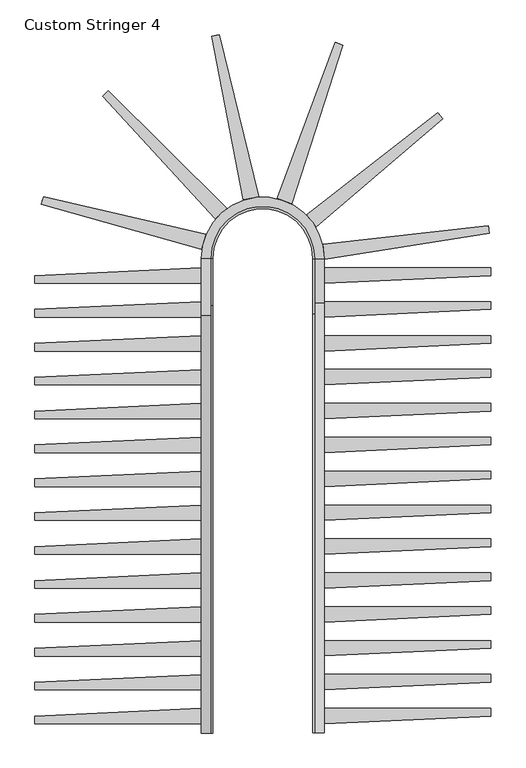
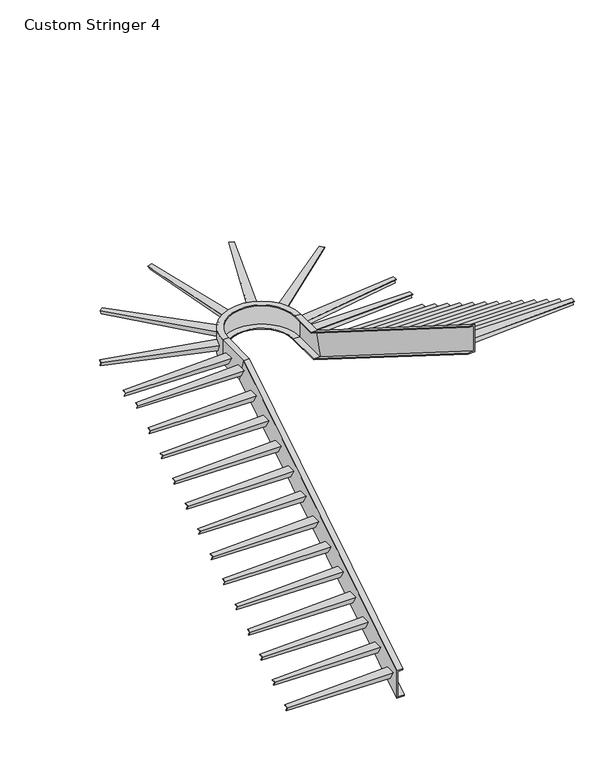
"""IFC4 building model written with IfcOpenShell, lengths in millimetres: railing geometry, Custom Stringer 4."""

from ifc_helpers import new_model, si_unit, frame, origin, place, context, project, spatial, polyline, circle_curve, faceted_brep, source, transform, mapped, element, save
from ifc_brep_helpers import plane_surface, cylinder_surface, revolved_surface, advanced_brep


def custom_stringer_4_e8852518(model_context):
    return source(origin(), model_context, "Body", "SolidModel", [
        advanced_brep(
        [(33706.1107122, -9490.020711, 222.1036534), (33629.9107122, -9490.020711, 222.1036534), (33629.9107122, -9490.020711, -153.0447845), (33725.1607122, -9490.020711, -153.0447845), (33725.1607122, -9490.020711, -138.038847), (33642.6107122, -9490.020711, -138.038847), (33642.6107122, -9490.020711, 207.0977159), (33706.1107122, -9490.020711, 207.0977159), (33706.1107122, -6049.287627, 2387.6), (33629.9107122, -6049.287627, 2387.6), (33629.9107122, -5957.6906645, 2070.1), (33725.1607122, -5957.6906645, 2070.1), (33725.1607122, -5961.354543, 2082.8), (33642.6107122, -5961.354543, 2082.8), (33642.6107122, -6045.6237485, 2374.9), (33706.1107122, -6045.6237485, 2374.9), (33706.1107122, -5578.420711, 2387.6), (33629.9107122, -5578.420711, 2387.6), (33629.9107122, -5578.420711, 2070.1), (33725.1607122, -5578.420711, 2070.1), (33725.1607122, -5578.420711, 2082.8), (33642.6107122, -5578.420711, 2082.8), (33642.6107122, -5578.420711, 2374.9), (33706.1107122, -5578.420711, 2374.9), (34643.8371795, -5578.420711, 2387.6), (34567.6371795, -5578.420711, 2387.6), (34643.8371795, -5578.420711, 2070.1), (34548.5871795, -5578.420711, 2070.1), (34548.5871795, -5578.420711, 2082.8), (34631.1371795, -5578.420711, 2082.8), (34631.1371795, -5578.420711, 2374.9), (34567.6371795, -5578.420711, 2374.9), (34567.6371795, -5945.753795, 2387.6), (34643.8371795, -5945.753795, 2387.6), (34643.8371795, -6037.3507575, 2070.1), (34548.5871795, -6037.3507575, 2070.1), (34548.5871795, -6033.686879, 2082.8), (34631.1371795, -6033.686879, 2082.8), (34631.1371795, -5949.4176735, 2374.9), (34567.6371795, -5949.4176735, 2374.9), (34567.6371795, -9490.020711, 4618.2574996), (34567.6371795, -9490.020711, 4603.2515621), (34631.1371795, -9490.020711, 4603.2515621), (34631.1371795, -9490.020711, 4258.1149991), (34548.5871795, -9490.020711, 4258.1149991), (34548.5871795, -9490.020711, 4243.1090616), (34643.8371795, -9490.020711, 4243.1090616), (34643.8371795, -9490.020711, 4618.2574996)],
        [
            (0, 1),
            (1, 2),
            (2, 3),
            (3, 4),
            (4, 5),
            (5, 6),
            (6, 7),
            (7, 0),
            (0, 8),
            (8, 9),
            (9, 1),
            (9, 10),
            (10, 2),
            (10, 11),
            (11, 3),
            (11, 12),
            (12, 4),
            (12, 13),
            (13, 5),
            (13, 14),
            (14, 6),
            (14, 15),
            (15, 7),
            (15, 8),
            (8, 16),
            (16, 17),
            (17, 9),
            (17, 18),
            (18, 10),
            (18, 19),
            (19, 11),
            (19, 20),
            (20, 12),
            (20, 21),
            (21, 13),
            (21, 22),
            (22, 14),
            (22, 23),
            (23, 15),
            (23, 16),
            (24, 17, circle_curve(frame((34136.8739459, -5578.420711, 2387.6), z_axis=(0.0, 0.0, 1.0), x_axis=(-1.0, 0.0, 0.0)), 506.9632337)),
            (16, 25, circle_curve(frame((34136.8739459, -5578.420711, 2387.6), z_axis=(0.0, 0.0, -1.0), x_axis=(-1.0, 0.0, 0.0)), 430.7632337)),
            (25, 24),
            (26, 18, circle_curve(frame((34136.8739459, -5578.420711, 2070.1), z_axis=(0.0, 0.0, 1.0), x_axis=(-1.0, 0.0, 0.0)), 506.9632337)),
            (24, 26),
            (27, 19, circle_curve(frame((34136.8739459, -5578.420711, 2070.1), z_axis=(0.0, 0.0, 1.0), x_axis=(-1.0, 0.0, 0.0)), 411.7132337)),
            (26, 27),
            (28, 20, circle_curve(frame((34136.8739459, -5578.420711, 2082.8), z_axis=(0.0, 0.0, 1.0), x_axis=(-1.0, 0.0, 0.0)), 411.7132337)),
            (27, 28),
            (29, 21, circle_curve(frame((34136.8739459, -5578.420711, 2082.8), z_axis=(0.0, 0.0, 1.0), x_axis=(-1.0, 0.0, 0.0)), 494.2632337)),
            (28, 29),
            (30, 22, circle_curve(frame((34136.8739459, -5578.420711, 2374.9), z_axis=(0.0, 0.0, 1.0), x_axis=(-1.0, 0.0, 0.0)), 494.2632337)),
            (29, 30),
            (31, 23, circle_curve(frame((34136.8739459, -5578.420711, 2374.9), z_axis=(0.0, 0.0, 1.0), x_axis=(-1.0, 0.0, 0.0)), 430.7632337)),
            (30, 31),
            (31, 25),
            (25, 32),
            (32, 33),
            (33, 24),
            (33, 34),
            (34, 26),
            (34, 35),
            (35, 27),
            (35, 36),
            (36, 28),
            (36, 37),
            (37, 29),
            (37, 38),
            (38, 30),
            (38, 39),
            (39, 31),
            (39, 32),
            (40, 41),
            (41, 42),
            (42, 43),
            (43, 44),
            (44, 45),
            (45, 46),
            (46, 47),
            (47, 40),
            (32, 40),
            (47, 33),
            (46, 34),
            (45, 35),
            (44, 36),
            (43, 37),
            (42, 38),
            (41, 39),
        ],
        [
            plane_surface(frame((33629.9107122, -9490.020711, 582.2461538), z_axis=(0.0, -1.0, 0.0), x_axis=(0.0, 0.0, 1.0))),
            plane_surface(frame((33706.1107122, -9490.020711, 222.1036534), z_axis=(0.0, -0.5326562891180853, 0.8463316593764828), x_axis=(0.0, 0.8463316593764828, 0.5326562891180853))),
            plane_surface(frame((33629.9107122, -9490.020711, 222.1036534), z_axis=(-1.0, 0.0, 0.0), x_axis=(0.0, 0.8463316593764827, 0.5326562891180853))),
            plane_surface(frame((33629.9107122, -9490.020711, -153.0447845), z_axis=(0.0, 0.5326562891180853, -0.8463316593764827), x_axis=(0.0, 0.8463316593764827, 0.5326562891180853))),
            plane_surface(frame((33725.1607122, -9490.020711, -153.0447845), z_axis=(1.0, 0.0, 0.0), x_axis=(0.0, 0.8463316593764827, 0.5326562891180853))),
            plane_surface(frame((33725.1607122, -9490.020711, -138.038847), z_axis=(0.0, -0.5326562891180853, 0.8463316593764827), x_axis=(0.0, 0.8463316593764827, 0.5326562891180853))),
            plane_surface(frame((33642.6107122, -9490.020711, -138.038847), z_axis=(1.0, 0.0, 0.0), x_axis=(0.0, 0.8463316593764827, 0.5326562891180853))),
            plane_surface(frame((33642.6107122, -9490.020711, 207.0977159), z_axis=(0.0, 0.5326562891180853, -0.8463316593764827), x_axis=(0.0, 0.8463316593764827, 0.5326562891180853))),
            plane_surface(frame((33706.1107122, -9490.020711, 207.0977159), z_axis=(1.0, 0.0, 0.0), x_axis=(0.0, 0.8463316593764827, 0.5326562891180853))),
            plane_surface(frame((33706.1107122, -6049.287627, 2387.6), z_axis=(0.0, 0.0, 1.0), x_axis=(0.0, 1.0, 0.0))),
            plane_surface(frame((33629.9107122, -6049.287627, 2387.6), z_axis=(-1.0, 0.0, 0.0), x_axis=(0.0, 1.0, 0.0))),
            plane_surface(frame((33629.9107122, -5957.6906645, 2070.1), z_axis=(0.0, 0.0, -1.0), x_axis=(0.0, 1.0, 0.0))),
            plane_surface(frame((33725.1607122, -5957.6906645, 2070.1), z_axis=(1.0, 0.0, 0.0), x_axis=(0.0, 1.0, 0.0))),
            plane_surface(frame((33725.1607122, -5961.354543, 2082.8), z_axis=(0.0, 0.0, 1.0), x_axis=(0.0, 1.0, 0.0))),
            plane_surface(frame((33642.6107122, -5961.354543, 2082.8), z_axis=(1.0, 0.0, 0.0), x_axis=(0.0, 1.0, 0.0))),
            plane_surface(frame((33642.6107122, -6045.6237485, 2374.9), z_axis=(0.0, 0.0, -1.0), x_axis=(0.0, 1.0, 0.0))),
            plane_surface(frame((33706.1107122, -6045.6237485, 2374.9), z_axis=(1.0, 0.0, 0.0), x_axis=(0.0, 1.0, 0.0))),
            plane_surface(frame((34136.8739459, -5578.420711, 2387.6), z_axis=(0.0, 0.0, 1.0), x_axis=(-1.0, 0.0, 0.0))),
            cylinder_surface(frame((34136.8739459, -5578.420711, 2692.4), z_axis=(0.0, 0.0, -1.0), x_axis=(-1.0, 0.0, 0.0)), 506.9632337),
            plane_surface(frame((34136.8739459, -5578.420711, 2070.1), z_axis=(0.0, 0.0, -1.0), x_axis=(-1.0, 0.0, 0.0))),
            revolved_surface(polyline([(33725.1607122, -5578.420711, 2070.1), (33725.1607122, -5578.420711, 2082.8)]), (34136.8739459, -5578.420711, 2692.4), (0.0, 0.0, -1.0)),
            plane_surface(frame((34136.8739459, -5578.420711, 2082.8), z_axis=(0.0, 0.0, 1.0), x_axis=(-1.0, 0.0, 0.0))),
            revolved_surface(polyline([(33642.610712199996, -5578.420711, 2082.8), (33642.610712199996, -5578.420711, 2374.9)]), (34136.8739459, -5578.420711, 2692.4), (0.0, 0.0, -1.0)),
            plane_surface(frame((34136.8739459, -5578.420711, 2374.9), z_axis=(0.0, 0.0, -1.0), x_axis=(-1.0, 0.0, 0.0))),
            revolved_surface(polyline([(33706.110712199996, -5578.420711, 2374.9), (33706.110712199996, -5578.420711, 2387.6)]), (34136.8739459, -5578.420711, 2692.4), (0.0, 0.0, -1.0)),
            plane_surface(frame((34567.6371795, -5578.420711, 2387.6), z_axis=(0.0, 0.0, 1.0), x_axis=(0.0, -1.0, 0.0))),
            plane_surface(frame((34643.8371795, -5578.420711, 2387.6), z_axis=(1.0, 0.0, 0.0), x_axis=(0.0, -1.0, 0.0))),
            plane_surface(frame((34643.8371795, -5578.420711, 2070.1), z_axis=(0.0, 0.0, -1.0), x_axis=(0.0, -1.0, 0.0))),
            plane_surface(frame((34548.5871795, -5578.420711, 2070.1), z_axis=(-1.0, 0.0, 0.0), x_axis=(0.0, -1.0, 0.0))),
            plane_surface(frame((34548.5871795, -5578.420711, 2082.8), z_axis=(0.0, 0.0, 1.0), x_axis=(0.0, -1.0, 0.0))),
            plane_surface(frame((34631.1371795, -5578.420711, 2082.8), z_axis=(-1.0, 0.0, 0.0), x_axis=(0.0, -1.0, 0.0))),
            plane_surface(frame((34631.1371795, -5578.420711, 2374.9), z_axis=(0.0, 0.0, -1.0), x_axis=(0.0, -1.0, 0.0))),
            plane_surface(frame((34567.6371795, -5578.420711, 2374.9), z_axis=(-1.0, 0.0, 0.0), x_axis=(0.0, -1.0, 0.0))),
            plane_surface(frame((34643.8371795, -9490.020711, 4978.4), z_axis=(0.0, -1.0, 0.0), x_axis=(0.0, 0.0, -1.0))),
            plane_surface(frame((34567.6371795, -5945.753795, 2387.6), z_axis=(0.0, 0.5326562891180853, 0.8463316593764828), x_axis=(0.0, -0.8463316593764828, 0.5326562891180853))),
            plane_surface(frame((34643.8371795, -5945.753795, 2387.6), z_axis=(1.0000000000000002, 0.0, 0.0), x_axis=(0.0, -0.8463316593764828, 0.5326562891180853))),
            plane_surface(frame((34643.8371795, -6037.3507575, 2070.1), z_axis=(0.0, -0.5326562891180852, -0.8463316593764829), x_axis=(0.0, -0.8463316593764829, 0.5326562891180852))),
            plane_surface(frame((34548.5871795, -6037.3507575, 2070.1), z_axis=(-1.0, 0.0, 0.0), x_axis=(0.0, -0.8463316593764828, 0.5326562891180852))),
            plane_surface(frame((34548.5871795, -6033.686879, 2082.8), z_axis=(0.0, 0.5326562891180853, 0.8463316593764828), x_axis=(0.0, -0.8463316593764828, 0.5326562891180853))),
            plane_surface(frame((34631.1371795, -6033.686879, 2082.8), z_axis=(-1.0000000000000002, 0.0, 0.0), x_axis=(0.0, -0.8463316593764827, 0.5326562891180855))),
            plane_surface(frame((34631.1371795, -5949.4176735, 2374.9), z_axis=(0.0, -0.5326562891180853, -0.8463316593764827), x_axis=(0.0, -0.8463316593764827, 0.5326562891180853))),
            plane_surface(frame((34567.6371795, -5949.4176735, 2374.9), z_axis=(-1.0, 0.0, 0.0), x_axis=(0.0, -0.8463316593764827, 0.5326562891180854))),
        ],
        [
            (0, [[1, 2, 3, 4, 5, 6, 7, 8]]),
            (1, [[-1, 9, 10, 11]]),
            (2, [[-2, -11, 12, 13]]),
            (3, [[-3, -13, 14, 15]]),
            (4, [[-4, -15, 16, 17]]),
            (5, [[-5, -17, 18, 19]]),
            (6, [[-6, -19, 20, 21]]),
            (7, [[-7, -21, 22, 23]]),
            (8, [[-8, -23, 24, -9]]),
            (9, [[-10, 25, 26, 27]]),
            (10, [[-12, -27, 28, 29]]),
            (11, [[-14, -29, 30, 31]]),
            (12, [[-16, -31, 32, 33]]),
            (13, [[-18, -33, 34, 35]]),
            (14, [[-20, -35, 36, 37]]),
            (15, [[-22, -37, 38, 39]]),
            (16, [[-24, -39, 40, -25]]),
            (17, [[41, -26, 42, 43]]),
            (18, [[44, -28, -41, 45]]),
            (19, [[46, -30, -44, 47]]),
            (20, [[48, -32, -46, 49]]),
            (21, [[50, -34, -48, 51]]),
            (22, [[52, -36, -50, 53]]),
            (23, [[54, -38, -52, 55]]),
            (24, [[-42, -40, -54, 56]]),
            (25, [[-43, 57, 58, 59]]),
            (26, [[-45, -59, 60, 61]]),
            (27, [[-47, -61, 62, 63]]),
            (28, [[-49, -63, 64, 65]]),
            (29, [[-51, -65, 66, 67]]),
            (30, [[-53, -67, 68, 69]]),
            (31, [[-55, -69, 70, 71]]),
            (32, [[-56, -71, 72, -57]]),
            (33, [[73, 74, 75, 76, 77, 78, 79, 80]]),
            (34, [[-58, 81, -80, 82]]),
            (35, [[-60, -82, -79, 83]]),
            (36, [[-62, -83, -78, 84]]),
            (37, [[-64, -84, -77, 85]]),
            (38, [[-66, -85, -76, 86]]),
            (39, [[-68, -86, -75, 87]]),
            (40, [[-70, -87, -74, 88]]),
            (41, [[-72, -88, -73, -81]]),
        ],
    ),
        faceted_brep([(36015.4371795, -9350.320711, 4370.7538462), (36015.4371795, -9350.320711, 4364.4038462), (36015.4371795, -9297.8192336, 4364.4038462), (36015.4371795, -9328.407103, 4311.4241024), (36015.4371795, -9322.9078417, 4308.2491024), (36015.4371795, -9286.820711, 4370.7538462), (34643.8371795, -9413.820711, 4370.7538462), (34643.8371795, -9286.820711, 4370.7538462), (34643.8371795, -9353.495711, 4255.2693586), (34643.8371795, -9358.9949723, 4258.4443586), (34643.8371795, -9297.8192336, 4364.4038462), (34643.8371795, -9413.820711, 4364.4038462)], [[[0, 1, 2, 3, 4, 5]], [[6, 7, 8, 9, 10, 11]], [[6, 11, 1, 0]], [[11, 10, 2, 1]], [[10, 9, 3, 2]], [[9, 8, 4, 3]], [[8, 7, 5, 4]], [[7, 6, 0, 5]]]),
        faceted_brep([(36015.4371795, -9070.920711, 4194.9076923), (36015.4371795, -9070.920711, 4188.5576923), (36015.4371795, -9018.4192336, 4188.5576923), (36015.4371795, -9049.007103, 4135.5779485), (36015.4371795, -9043.5078417, 4132.4029485), (36015.4371795, -9007.420711, 4194.9076923), (34643.8371795, -9134.420711, 4194.9076923), (34643.8371795, -9007.420711, 4194.9076923), (34643.8371795, -9074.095711, 4079.4232047), (34643.8371795, -9079.5949723, 4082.5982047), (34643.8371795, -9018.4192336, 4188.5576923), (34643.8371795, -9134.420711, 4188.5576923)], [[[0, 1, 2, 3, 4, 5]], [[6, 7, 8, 9, 10, 11]], [[6, 11, 1, 0]], [[11, 10, 2, 1]], [[10, 9, 3, 2]], [[9, 8, 4, 3]], [[8, 7, 5, 4]], [[7, 6, 0, 5]]]),
        faceted_brep([(36015.4371795, -8791.520711, 4019.0615385), (36015.4371795, -8791.520711, 4012.7115385), (36015.4371795, -8739.0192336, 4012.7115385), (36015.4371795, -8769.607103, 3959.7317947), (36015.4371795, -8764.1078417, 3956.5567947), (36015.4371795, -8728.020711, 4019.0615385), (34643.8371795, -8855.020711, 4019.0615385), (34643.8371795, -8728.020711, 4019.0615385), (34643.8371795, -8794.695711, 3903.5770509), (34643.8371795, -8800.1949723, 3906.7520509), (34643.8371795, -8739.0192336, 4012.7115385), (34643.8371795, -8855.020711, 4012.7115385)], [[[0, 1, 2, 3, 4, 5]], [[6, 7, 8, 9, 10, 11]], [[6, 11, 1, 0]], [[11, 10, 2, 1]], [[10, 9, 3, 2]], [[9, 8, 4, 3]], [[8, 7, 5, 4]], [[7, 6, 0, 5]]]),
        faceted_brep([(36015.4371795, -8512.120711, 3843.2153846), (36015.4371795, -8512.120711, 3836.8653846), (36015.4371795, -8459.6192336, 3836.8653846), (36015.4371795, -8490.207103, 3783.8856408), (36015.4371795, -8484.7078417, 3780.7106408), (36015.4371795, -8448.620711, 3843.2153846), (34643.8371795, -8575.620711, 3843.2153846), (34643.8371795, -8448.620711, 3843.2153846), (34643.8371795, -8515.295711, 3727.730897), (34643.8371795, -8520.7949723, 3730.905897), (34643.8371795, -8459.6192336, 3836.8653846), (34643.8371795, -8575.620711, 3836.8653846)], [[[0, 1, 2, 3, 4, 5]], [[6, 7, 8, 9, 10, 11]], [[6, 11, 1, 0]], [[11, 10, 2, 1]], [[10, 9, 3, 2]], [[9, 8, 4, 3]], [[8, 7, 5, 4]], [[7, 6, 0, 5]]]),
        faceted_brep([(36015.4371795, -8232.720711, 3667.3692308), (36015.4371795, -8232.720711, 3661.0192308), (36015.4371795, -8180.2192336, 3661.0192308), (36015.4371795, -8210.807103, 3608.039487), (36015.4371795, -8205.3078417, 3604.864487), (36015.4371795, -8169.220711, 3667.3692308), (34643.8371795, -8296.220711, 3667.3692308), (34643.8371795, -8169.220711, 3667.3692308), (34643.8371795, -8235.895711, 3551.8847432), (34643.8371795, -8241.3949723, 3555.0597432), (34643.8371795, -8180.2192336, 3661.0192308), (34643.8371795, -8296.220711, 3661.0192308)], [[[0, 1, 2, 3, 4, 5]], [[6, 7, 8, 9, 10, 11]], [[6, 11, 1, 0]], [[11, 10, 2, 1]], [[10, 9, 3, 2]], [[9, 8, 4, 3]], [[8, 7, 5, 4]], [[7, 6, 0, 5]]]),
        faceted_brep([(36015.4371795, -7953.320711, 3491.5230769), (36015.4371795, -7953.320711, 3485.1730769), (36015.4371795, -7900.8192336, 3485.1730769), (36015.4371795, -7931.407103, 3432.1933331), (36015.4371795, -7925.9078417, 3429.0183331), (36015.4371795, -7889.820711, 3491.5230769), (34643.8371795, -8016.820711, 3491.5230769), (34643.8371795, -7889.820711, 3491.5230769), (34643.8371795, -7956.495711, 3376.0385893), (34643.8371795, -7961.9949723, 3379.2135893), (34643.8371795, -7900.8192336, 3485.1730769), (34643.8371795, -8016.820711, 3485.1730769)], [[[0, 1, 2, 3, 4, 5]], [[6, 7, 8, 9, 10, 11]], [[6, 11, 1, 0]], [[11, 10, 2, 1]], [[10, 9, 3, 2]], [[9, 8, 4, 3]], [[8, 7, 5, 4]], [[7, 6, 0, 5]]]),
        faceted_brep([(36015.4371795, -7673.920711, 3315.6769231), (36015.4371795, -7673.920711, 3309.3269231), (36015.4371795, -7621.4192336, 3309.3269231), (36015.4371795, -7652.007103, 3256.3471793), (36015.4371795, -7646.5078417, 3253.1721793), (36015.4371795, -7610.420711, 3315.6769231), (34643.8371795, -7737.420711, 3315.6769231), (34643.8371795, -7610.420711, 3315.6769231), (34643.8371795, -7677.095711, 3200.1924355), (34643.8371795, -7682.5949723, 3203.3674355), (34643.8371795, -7621.4192336, 3309.3269231), (34643.8371795, -7737.420711, 3309.3269231)], [[[0, 1, 2, 3, 4, 5]], [[6, 7, 8, 9, 10, 11]], [[6, 11, 1, 0]], [[11, 10, 2, 1]], [[10, 9, 3, 2]], [[9, 8, 4, 3]], [[8, 7, 5, 4]], [[7, 6, 0, 5]]]),
        faceted_brep([(36015.4371795, -7394.520711, 3139.8307692), (36015.4371795, -7394.520711, 3133.4807692), (36015.4371795, -7342.0192336, 3133.4807692), (36015.4371795, -7372.607103, 3080.5010254), (36015.4371795, -7367.1078417, 3077.3260254), (36015.4371795, -7331.020711, 3139.8307692), (34643.8371795, -7458.020711, 3139.8307692), (34643.8371795, -7331.020711, 3139.8307692), (34643.8371795, -7397.695711, 3024.3462816), (34643.8371795, -7403.1949723, 3027.5212816), (34643.8371795, -7342.0192336, 3133.4807692), (34643.8371795, -7458.020711, 3133.4807692)], [[[0, 1, 2, 3, 4, 5]], [[6, 7, 8, 9, 10, 11]], [[6, 11, 1, 0]], [[11, 10, 2, 1]], [[10, 9, 3, 2]], [[9, 8, 4, 3]], [[8, 7, 5, 4]], [[7, 6, 0, 5]]]),
        faceted_brep([(36015.4371795, -7115.120711, 2963.9846154), (36015.4371795, -7115.120711, 2957.6346154), (36015.4371795, -7062.6192336, 2957.6346154), (36015.4371795, -7093.207103, 2904.6548716), (36015.4371795, -7087.7078417, 2901.4798716), (36015.4371795, -7051.620711, 2963.9846154), (34643.8371795, -7178.620711, 2963.9846154), (34643.8371795, -7051.620711, 2963.9846154), (34643.8371795, -7118.295711, 2848.5001278), (34643.8371795, -7123.7949723, 2851.6751278), (34643.8371795, -7062.6192336, 2957.6346154), (34643.8371795, -7178.620711, 2957.6346154)], [[[0, 1, 2, 3, 4, 5]], [[6, 7, 8, 9, 10, 11]], [[6, 11, 1, 0]], [[11, 10, 2, 1]], [[10, 9, 3, 2]], [[9, 8, 4, 3]], [[8, 7, 5, 4]], [[7, 6, 0, 5]]]),
        faceted_brep([(36015.4371795, -6835.720711, 2788.1384615), (36015.4371795, -6835.720711, 2781.7884615), (36015.4371795, -6783.2192336, 2781.7884615), (36015.4371795, -6813.807103, 2728.8087177), (36015.4371795, -6808.3078417, 2725.6337177), (36015.4371795, -6772.220711, 2788.1384615), (34643.8371795, -6899.220711, 2788.1384615), (34643.8371795, -6772.220711, 2788.1384615), (34643.8371795, -6838.895711, 2672.6539739), (34643.8371795, -6844.3949723, 2675.8289739), (34643.8371795, -6783.2192336, 2781.7884615), (34643.8371795, -6899.220711, 2781.7884615)], [[[0, 1, 2, 3, 4, 5]], [[6, 7, 8, 9, 10, 11]], [[6, 11, 1, 0]], [[11, 10, 2, 1]], [[10, 9, 3, 2]], [[9, 8, 4, 3]], [[8, 7, 5, 4]], [[7, 6, 0, 5]]]),
        faceted_brep([(36015.4371795, -6556.320711, 2612.2923077), (36015.4371795, -6556.320711, 2605.9423077), (36015.4371795, -6503.8192336, 2605.9423077), (36015.4371795, -6534.407103, 2552.9625639), (36015.4371795, -6528.9078417, 2549.7875639), (36015.4371795, -6492.820711, 2612.2923077), (34643.8371795, -6619.820711, 2612.2923077), (34643.8371795, -6492.820711, 2612.2923077), (34643.8371795, -6559.495711, 2496.8078201), (34643.8371795, -6564.9949723, 2499.9828201), (34643.8371795, -6503.8192336, 2605.9423077), (34643.8371795, -6619.820711, 2605.9423077)], [[[0, 1, 2, 3, 4, 5]], [[6, 7, 8, 9, 10, 11]], [[6, 11, 1, 0]], [[11, 10, 2, 1]], [[10, 9, 3, 2]], [[9, 8, 4, 3]], [[8, 7, 5, 4]], [[7, 6, 0, 5]]]),
        faceted_brep([(36015.4371795, -6276.920711, 2436.4461538), (36015.4371795, -6276.920711, 2430.0961538), (36015.4371795, -6224.4192336, 2430.0961538), (36015.4371795, -6255.007103, 2377.11641), (36015.4371795, -6249.5078417, 2373.94141), (36015.4371795, -6213.420711, 2436.4461538), (34643.8371795, -6340.420711, 2436.4461538), (34643.8371795, -6213.420711, 2436.4461538), (34643.8371795, -6280.095711, 2320.9616663), (34643.8371795, -6285.5949723, 2324.1366663), (34643.8371795, -6224.4192336, 2430.0961538), (34643.8371795, -6340.420711, 2430.0961538)], [[[0, 1, 2, 3, 4, 5]], [[6, 7, 8, 9, 10, 11]], [[6, 11, 1, 0]], [[11, 10, 2, 1]], [[10, 9, 3, 2]], [[9, 8, 4, 3]], [[8, 7, 5, 4]], [[7, 6, 0, 5]]]),
        faceted_brep([(36015.4371795, -5997.520711, 2260.6), (36015.4371795, -5997.520711, 2254.25), (36015.4371795, -5945.0192336, 2254.25), (36015.4371795, -5975.607103, 2201.2702562), (36015.4371795, -5970.1078417, 2198.0952562), (36015.4371795, -5934.020711, 2260.6), (34643.8371795, -6061.020711, 2260.6), (34643.8371795, -5934.020711, 2260.6), (34643.8371795, -6000.695711, 2145.1155124), (34643.8371795, -6006.1949723, 2148.2905124), (34643.8371795, -5945.0192336, 2254.25), (34643.8371795, -6061.020711, 2254.25)], [[[0, 1, 2, 3, 4, 5]], [[6, 7, 8, 9, 10, 11]], [[6, 11, 1, 0]], [[11, 10, 2, 1]], [[10, 9, 3, 2]], [[9, 8, 4, 3]], [[8, 7, 5, 4]], [[7, 6, 0, 5]]]),
        faceted_brep([(36015.4371795, -5718.120711, 2260.6), (36015.4371795, -5718.120711, 2254.25), (36015.4371795, -5665.6192336, 2254.25), (36015.4371795, -5696.207103, 2201.2702562), (36015.4371795, -5690.7078417, 2198.0952562), (36015.4371795, -5654.620711, 2260.6), (34643.8371795, -5781.620711, 2260.6), (34643.8371795, -5654.620711, 2260.6), (34643.8371795, -5721.295711, 2145.1155124), (34643.8371795, -5726.7949723, 2148.2905124), (34643.8371795, -5665.6192336, 2254.25), (34643.8371795, -5781.620711, 2254.25)], [[[0, 1, 2, 3, 4, 5]], [[6, 7, 8, 9, 10, 11]], [[6, 11, 1, 0]], [[11, 10, 2, 1]], [[10, 9, 3, 2]], [[9, 8, 4, 3]], [[8, 7, 5, 4]], [[7, 6, 0, 5]]]),
        faceted_brep([(36003.9993693, -5371.4364696, 2260.6), (36003.9993693, -5371.4364696, 2254.25), (35998.2146407, -5319.2546525, 2254.25), (36001.5848796, -5349.6562847, 2201.2702562), (36000.9789589, -5344.1905061, 2198.0952562), (35997.0027992, -5308.3230954, 2260.6), (34647.7470559, -5585.6757577, 2260.6), (34633.7539158, -5459.4490093, 2260.6), (34641.1003144, -5525.7180522, 2145.1155124), (34641.7062351, -5531.1838308, 2148.2905124), (34634.9657572, -5470.3805664, 2254.25), (34647.7470559, -5585.6757577, 2254.25)], [[[0, 1, 2, 3, 4, 5]], [[6, 7, 8, 9, 10, 11]], [[6, 11, 1, 0]], [[11, 10, 2, 1]], [[10, 9, 3, 2]], [[9, 8, 4, 3]], [[8, 7, 5, 4]], [[7, 6, 0, 5]]]),
        faceted_brep([(35619.1590228, -4424.3709835, 2260.6), (35619.1590228, -4424.3709835, 2254.25), (35586.9060145, -4382.9445598, 2254.25), (35605.6969296, -4407.0799956, 2201.2702562), (35602.3185919, -4402.7407895, 2198.0952562), (35580.149339, -4374.2661477, 2260.6), (34575.904253, -5317.0849888, 2260.6), (34497.8848855, -5216.8753172, 2260.6), (34538.8450535, -5269.4853948, 2145.1155124), (34542.2233912, -5273.8246009, 2148.2905124), (34504.6415609, -5225.5537294, 2254.25), (34575.904253, -5317.0849888, 2254.25)], [[[0, 1, 2, 3, 4, 5]], [[6, 7, 8, 9, 10, 11]], [[6, 11, 1, 0]], [[11, 10, 2, 1]], [[10, 9, 3, 2]], [[9, 8, 4, 3]], [[8, 7, 5, 4]], [[7, 6, 0, 5]]]),
        faceted_brep([(34795.3727846, -3819.051761, 2260.6), (34795.3727846, -3819.051761, 2254.25), (34746.2025105, -3800.6482485, 2254.25), (34774.8495886, -3811.3703132, 2201.2702562), (34769.6992538, -3809.4426394, 2198.0952562), (34735.9018409, -3796.7929009, 2260.6), (34374.0523496, -5125.8830053, 2260.6), (34255.1104621, -5081.365285, 2260.6), (34317.554953, -5104.7370881, 2145.1155124), (34322.7052878, -5106.664762, 2148.2905124), (34265.4111317, -5085.2206327, 2254.25), (34374.0523496, -5125.8830053, 2254.25)], [[[0, 1, 2, 3, 4, 5]], [[6, 7, 8, 9, 10, 11]], [[6, 11, 1, 0]], [[11, 10, 2, 1]], [[10, 9, 3, 2]], [[9, 8, 4, 3]], [[8, 7, 5, 4]], [[7, 6, 0, 5]]]),
        faceted_brep([(33776.5867017, -3734.7306816, 2260.6), (33776.5867017, -3734.7306816, 2254.25), (33725.0598493, -3744.7998729, 2254.25), (33755.0798927, -3738.9334645, 2201.2702562), (33749.6827184, -3739.9881608, 2198.0952562), (33714.2655007, -3746.9092655, 2260.6), (34101.9653155, -5068.6900392, 2260.6), (33977.3229135, -5093.047207, 2260.6), (34042.7601746, -5080.2596939, 2145.1155124), (34048.1573489, -5079.2049976, 2148.2905124), (33988.1172622, -5090.9378144, 2254.25), (34101.9653155, -5068.6900392, 2254.25)], [[[0, 1, 2, 3, 4, 5]], [[6, 7, 8, 9, 10, 11]], [[6, 11, 1, 0]], [[11, 10, 2, 1]], [[10, 9, 3, 2]], [[9, 8, 4, 3]], [[8, 7, 5, 4]], [[7, 6, 0, 5]]]),
        faceted_brep([(32864.4917054, -4196.3775651, 2260.6), (32864.4917054, -4196.3775651, 2254.25), (32825.8668108, -4231.9376923, 2254.25), (32848.3700486, -4211.2200177, 2201.2702562), (32844.3242884, -4214.9447592, 2198.0952562), (32817.7752903, -4239.3871752, 2260.6), (33840.2156991, -5162.4425206, 2260.6), (33746.782869, -5248.4617408, 2260.6), (33795.8351048, -5203.3016502, 2145.1155124), (33799.880865, -5199.5769087, 2148.2905124), (33754.8743894, -5241.0122578, 2254.25), (33840.2156991, -5162.4425206, 2254.25)], [[[0, 1, 2, 3, 4, 5]], [[6, 7, 8, 9, 10, 11]], [[6, 11, 1, 0]], [[11, 10, 2, 1]], [[10, 9, 3, 2]], [[9, 8, 4, 3]], [[8, 7, 5, 4]], [[7, 6, 0, 5]]]),
        faceted_brep([(32329.1845253, -5067.2859129, 2260.6), (32329.1845253, -5067.2859129, 2254.25), (32314.8994954, -5117.8066319, 2254.25), (32323.2220922, -5088.3727716, 2201.2702562), (32321.7258084, -5093.6645586, 2198.0952562), (32311.9069277, -5128.3902059, 2260.6), (33666.3148512, -5379.3777288, 2260.6), (33631.759656, -5501.5863148, 2260.6), (33649.9011335, -5437.4268071, 2145.1155124), (33651.3974173, -5432.1350201, 2148.2905124), (33634.7522237, -5491.0027408, 2254.25), (33666.3148512, -5379.3777288, 2254.25)], [[[0, 1, 2, 3, 4, 5]], [[6, 7, 8, 9, 10, 11]], [[6, 11, 1, 0]], [[11, 10, 2, 1]], [[10, 9, 3, 2]], [[9, 8, 4, 3]], [[8, 7, 5, 4]], [[7, 6, 0, 5]]]),
        faceted_brep([(32258.3107122, -5718.120711, 2260.6), (32258.3107122, -5718.120711, 2254.25), (32258.3107122, -5770.6221884, 2254.25), (32258.3107122, -5740.034319, 2201.2702562), (32258.3107122, -5745.5335804, 2198.0952562), (32258.3107122, -5781.620711, 2260.6), (33629.9107122, -5654.620711, 2260.6), (33629.9107122, -5781.620711, 2260.6), (33629.9107122, -5714.945711, 2145.1155124), (33629.9107122, -5709.4464497, 2148.2905124), (33629.9107122, -5770.6221884, 2254.25), (33629.9107122, -5654.620711, 2254.25)], [[[0, 1, 2, 3, 4, 5]], [[6, 7, 8, 9, 10, 11]], [[6, 11, 1, 0]], [[11, 10, 2, 1]], [[10, 9, 3, 2]], [[9, 8, 4, 3]], [[8, 7, 5, 4]], [[7, 6, 0, 5]]]),
        faceted_brep([(32258.3107122, -5997.520711, 2260.6), (32258.3107122, -5997.520711, 2254.25), (32258.3107122, -6050.0221884, 2254.25), (32258.3107122, -6019.434319, 2201.2702562), (32258.3107122, -6024.9335804, 2198.0952562), (32258.3107122, -6061.020711, 2260.6), (33629.9107122, -5934.020711, 2260.6), (33629.9107122, -6061.020711, 2260.6), (33629.9107122, -5994.345711, 2145.1155124), (33629.9107122, -5988.8464497, 2148.2905124), (33629.9107122, -6050.0221884, 2254.25), (33629.9107122, -5934.020711, 2254.25)], [[[0, 1, 2, 3, 4, 5]], [[6, 7, 8, 9, 10, 11]], [[6, 11, 1, 0]], [[11, 10, 2, 1]], [[10, 9, 3, 2]], [[9, 8, 4, 3]], [[8, 7, 5, 4]], [[7, 6, 0, 5]]]),
        faceted_brep([(32258.3107122, -6276.920711, 2084.7538462), (32258.3107122, -6276.920711, 2078.4038462), (32258.3107122, -6329.4221884, 2078.4038462), (32258.3107122, -6298.834319, 2025.4241024), (32258.3107122, -6304.3335804, 2022.2491024), (32258.3107122, -6340.420711, 2084.7538462), (33629.9107122, -6213.420711, 2084.7538462), (33629.9107122, -6340.420711, 2084.7538462), (33629.9107122, -6273.745711, 1969.2693586), (33629.9107122, -6268.2464497, 1972.4443586), (33629.9107122, -6329.4221884, 2078.4038462), (33629.9107122, -6213.420711, 2078.4038462)], [[[0, 1, 2, 3, 4, 5]], [[6, 7, 8, 9, 10, 11]], [[6, 11, 1, 0]], [[11, 10, 2, 1]], [[10, 9, 3, 2]], [[9, 8, 4, 3]], [[8, 7, 5, 4]], [[7, 6, 0, 5]]]),
        faceted_brep([(32258.3107122, -6556.320711, 1908.9076923), (32258.3107122, -6556.320711, 1902.5576923), (32258.3107122, -6608.8221884, 1902.5576923), (32258.3107122, -6578.234319, 1849.5779485), (32258.3107122, -6583.7335804, 1846.4029485), (32258.3107122, -6619.820711, 1908.9076923), (33629.9107122, -6492.820711, 1908.9076923), (33629.9107122, -6619.820711, 1908.9076923), (33629.9107122, -6553.145711, 1793.4232047), (33629.9107122, -6547.6464497, 1796.5982047), (33629.9107122, -6608.8221884, 1902.5576923), (33629.9107122, -6492.820711, 1902.5576923)], [[[0, 1, 2, 3, 4, 5]], [[6, 7, 8, 9, 10, 11]], [[6, 11, 1, 0]], [[11, 10, 2, 1]], [[10, 9, 3, 2]], [[9, 8, 4, 3]], [[8, 7, 5, 4]], [[7, 6, 0, 5]]]),
        faceted_brep([(32258.3107122, -6835.720711, 1733.0615385), (32258.3107122, -6835.720711, 1726.7115385), (32258.3107122, -6888.2221884, 1726.7115385), (32258.3107122, -6857.634319, 1673.7317947), (32258.3107122, -6863.1335804, 1670.5567947), (32258.3107122, -6899.220711, 1733.0615385), (33629.9107122, -6772.220711, 1733.0615385), (33629.9107122, -6899.220711, 1733.0615385), (33629.9107122, -6832.545711, 1617.5770509), (33629.9107122, -6827.0464497, 1620.7520509), (33629.9107122, -6888.2221884, 1726.7115385), (33629.9107122, -6772.220711, 1726.7115385)], [[[0, 1, 2, 3, 4, 5]], [[6, 7, 8, 9, 10, 11]], [[6, 11, 1, 0]], [[11, 10, 2, 1]], [[10, 9, 3, 2]], [[9, 8, 4, 3]], [[8, 7, 5, 4]], [[7, 6, 0, 5]]]),
        faceted_brep([(32258.3107122, -7115.120711, 1557.2153846), (32258.3107122, -7115.120711, 1550.8653846), (32258.3107122, -7167.6221884, 1550.8653846), (32258.3107122, -7137.034319, 1497.8856408), (32258.3107122, -7142.5335804, 1494.7106408), (32258.3107122, -7178.620711, 1557.2153846), (33629.9107122, -7051.620711, 1557.2153846), (33629.9107122, -7178.620711, 1557.2153846), (33629.9107122, -7111.945711, 1441.730897), (33629.9107122, -7106.4464497, 1444.905897), (33629.9107122, -7167.6221884, 1550.8653846), (33629.9107122, -7051.620711, 1550.8653846)], [[[0, 1, 2, 3, 4, 5]], [[6, 7, 8, 9, 10, 11]], [[6, 11, 1, 0]], [[11, 10, 2, 1]], [[10, 9, 3, 2]], [[9, 8, 4, 3]], [[8, 7, 5, 4]], [[7, 6, 0, 5]]]),
        faceted_brep([(32258.3107122, -7394.520711, 1381.3692308), (32258.3107122, -7394.520711, 1375.0192308), (32258.3107122, -7447.0221884, 1375.0192308), (32258.3107122, -7416.434319, 1322.039487), (32258.3107122, -7421.9335804, 1318.864487), (32258.3107122, -7458.020711, 1381.3692308), (33629.9107122, -7331.020711, 1381.3692308), (33629.9107122, -7458.020711, 1381.3692308), (33629.9107122, -7391.345711, 1265.8847432), (33629.9107122, -7385.8464497, 1269.0597432), (33629.9107122, -7447.0221884, 1375.0192308), (33629.9107122, -7331.020711, 1375.0192308)], [[[0, 1, 2, 3, 4, 5]], [[6, 7, 8, 9, 10, 11]], [[6, 11, 1, 0]], [[11, 10, 2, 1]], [[10, 9, 3, 2]], [[9, 8, 4, 3]], [[8, 7, 5, 4]], [[7, 6, 0, 5]]]),
        faceted_brep([(32258.3107122, -7673.920711, 1205.5230769), (32258.3107122, -7673.920711, 1199.1730769), (32258.3107122, -7726.4221884, 1199.1730769), (32258.3107122, -7695.834319, 1146.1933331), (32258.3107122, -7701.3335804, 1143.0183331), (32258.3107122, -7737.420711, 1205.5230769), (33629.9107122, -7610.420711, 1205.5230769), (33629.9107122, -7737.420711, 1205.5230769), (33629.9107122, -7670.745711, 1090.0385893), (33629.9107122, -7665.2464497, 1093.2135893), (33629.9107122, -7726.4221884, 1199.1730769), (33629.9107122, -7610.420711, 1199.1730769)], [[[0, 1, 2, 3, 4, 5]], [[6, 7, 8, 9, 10, 11]], [[6, 11, 1, 0]], [[11, 10, 2, 1]], [[10, 9, 3, 2]], [[9, 8, 4, 3]], [[8, 7, 5, 4]], [[7, 6, 0, 5]]]),
        faceted_brep([(32258.3107122, -7953.320711, 1029.6769231), (32258.3107122, -7953.320711, 1023.3269231), (32258.3107122, -8005.8221884, 1023.3269231), (32258.3107122, -7975.234319, 970.3471793), (32258.3107122, -7980.7335804, 967.1721793), (32258.3107122, -8016.820711, 1029.6769231), (33629.9107122, -7889.820711, 1029.6769231), (33629.9107122, -8016.820711, 1029.6769231), (33629.9107122, -7950.145711, 914.1924355), (33629.9107122, -7944.6464497, 917.3674355), (33629.9107122, -8005.8221884, 1023.3269231), (33629.9107122, -7889.820711, 1023.3269231)], [[[0, 1, 2, 3, 4, 5]], [[6, 7, 8, 9, 10, 11]], [[6, 11, 1, 0]], [[11, 10, 2, 1]], [[10, 9, 3, 2]], [[9, 8, 4, 3]], [[8, 7, 5, 4]], [[7, 6, 0, 5]]]),
        faceted_brep([(32258.3107122, -8232.720711, 853.8307692), (32258.3107122, -8232.720711, 847.4807692), (32258.3107122, -8285.2221884, 847.4807692), (32258.3107122, -8254.634319, 794.5010254), (32258.3107122, -8260.1335804, 791.3260254), (32258.3107122, -8296.220711, 853.8307692), (33629.9107122, -8169.220711, 853.8307692), (33629.9107122, -8296.220711, 853.8307692), (33629.9107122, -8229.545711, 738.3462816), (33629.9107122, -8224.0464497, 741.5212816), (33629.9107122, -8285.2221884, 847.4807692), (33629.9107122, -8169.220711, 847.4807692)], [[[0, 1, 2, 3, 4, 5]], [[6, 7, 8, 9, 10, 11]], [[6, 11, 1, 0]], [[11, 10, 2, 1]], [[10, 9, 3, 2]], [[9, 8, 4, 3]], [[8, 7, 5, 4]], [[7, 6, 0, 5]]]),
        faceted_brep([(32258.3107122, -8512.120711, 677.9846154), (32258.3107122, -8512.120711, 671.6346154), (32258.3107122, -8564.6221884, 671.6346154), (32258.3107122, -8534.034319, 618.6548716), (32258.3107122, -8539.5335804, 615.4798716), (32258.3107122, -8575.620711, 677.9846154), (33629.9107122, -8448.620711, 677.9846154), (33629.9107122, -8575.620711, 677.9846154), (33629.9107122, -8508.945711, 562.5001278), (33629.9107122, -8503.4464497, 565.6751278), (33629.9107122, -8564.6221884, 671.6346154), (33629.9107122, -8448.620711, 671.6346154)], [[[0, 1, 2, 3, 4, 5]], [[6, 7, 8, 9, 10, 11]], [[6, 11, 1, 0]], [[11, 10, 2, 1]], [[10, 9, 3, 2]], [[9, 8, 4, 3]], [[8, 7, 5, 4]], [[7, 6, 0, 5]]]),
        faceted_brep([(32258.3107122, -8791.520711, 502.1384615), (32258.3107122, -8791.520711, 495.7884615), (32258.3107122, -8844.0221884, 495.7884615), (32258.3107122, -8813.434319, 442.8087177), (32258.3107122, -8818.9335804, 439.6337177), (32258.3107122, -8855.020711, 502.1384615), (33629.9107122, -8728.020711, 502.1384615), (33629.9107122, -8855.020711, 502.1384615), (33629.9107122, -8788.345711, 386.6539739), (33629.9107122, -8782.8464497, 389.8289739), (33629.9107122, -8844.0221884, 495.7884615), (33629.9107122, -8728.020711, 495.7884615)], [[[0, 1, 2, 3, 4, 5]], [[6, 7, 8, 9, 10, 11]], [[6, 11, 1, 0]], [[11, 10, 2, 1]], [[10, 9, 3, 2]], [[9, 8, 4, 3]], [[8, 7, 5, 4]], [[7, 6, 0, 5]]]),
        faceted_brep([(32258.3107122, -9070.920711, 326.2923077), (32258.3107122, -9070.920711, 319.9423077), (32258.3107122, -9123.4221884, 319.9423077), (32258.3107122, -9092.834319, 266.9625639), (32258.3107122, -9098.3335804, 263.7875639), (32258.3107122, -9134.420711, 326.2923077), (33629.9107122, -9007.420711, 326.2923077), (33629.9107122, -9134.420711, 326.2923077), (33629.9107122, -9067.745711, 210.8078201), (33629.9107122, -9062.2464497, 213.9828201), (33629.9107122, -9123.4221884, 319.9423077), (33629.9107122, -9007.420711, 319.9423077)], [[[0, 1, 2, 3, 4, 5]], [[6, 7, 8, 9, 10, 11]], [[6, 11, 1, 0]], [[11, 10, 2, 1]], [[10, 9, 3, 2]], [[9, 8, 4, 3]], [[8, 7, 5, 4]], [[7, 6, 0, 5]]]),
        faceted_brep([(32258.3107122, -9350.320711, 150.4461538), (32258.3107122, -9350.320711, 144.0961538), (32258.3107122, -9402.8221884, 144.0961538), (32258.3107122, -9372.234319, 91.11641), (32258.3107122, -9377.7335804, 87.94141), (32258.3107122, -9413.820711, 150.4461538), (33629.9107122, -9286.820711, 150.4461538), (33629.9107122, -9413.820711, 150.4461538), (33629.9107122, -9347.145711, 34.9616663), (33629.9107122, -9341.6464497, 38.1366663), (33629.9107122, -9402.8221884, 144.0961538), (33629.9107122, -9286.820711, 144.0961538)], [[[0, 1, 2, 3, 4, 5]], [[6, 7, 8, 9, 10, 11]], [[6, 11, 1, 0]], [[11, 10, 2, 1]], [[10, 9, 3, 2]], [[9, 8, 4, 3]], [[8, 7, 5, 4]], [[7, 6, 0, 5]]]),
    ])


if __name__ == "__main__":
    model = new_model("IFC4")
    model_context = context("Model", 3, world=origin())
    ifc_project = project(units=[si_unit("LENGTHUNIT", "METRE", prefix="MILLI")], contexts=[model_context])
    site = spatial("IfcSite", under=ifc_project)
    building = spatial("IfcBuilding", under=site)
    placement = place(None, origin())
    custom_stringer_4_shape = custom_stringer_4_e8852518(model_context)
    element("IfcRailing", 1, ObjectType="Custom Stringer 4", at=placement, inside=building, context=model_context, shape_type="MappedRepresentation", body=[
        mapped(custom_stringer_4_shape, transform((0.0, 0.0, 0.0), x_axis=(1.0, 0.0, 0.0), y_axis=(0.0, 1.0, 0.0), z_axis=(0.0, 0.0, 1.0))),
    ])
    save(model, "model.ifc")
